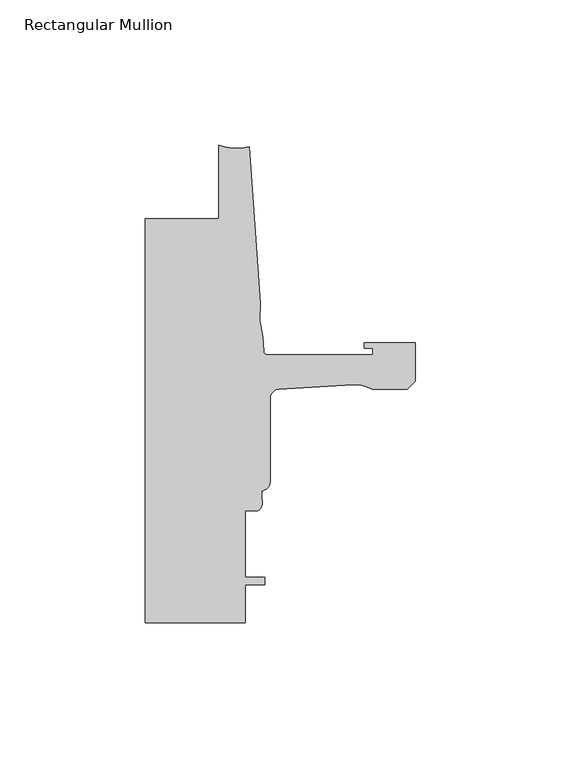
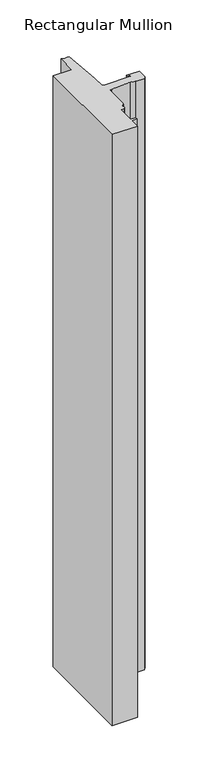
"""IFC4 building model written with IfcOpenShell, lengths in millimetres: member geometry, Rectangular Mullion."""

from ifc_helpers import new_model, si_unit, point, frame, frame_2d, origin, place, context, project, spatial, polyline, circle_curve, trimmed, segment, composite_curve, outline, extrude, source, transform, mapped, element, save


def rectangular_mullion_176037ab(model_context):
    return source(origin(), model_context, "Body", "SweptSolid", [
        extrude(outline(composite_curve([segment(polyline([(-93.2286109, -25.4004525), (-67.8287241, -25.4004525), (-67.8287241, 0.0)]), True, "CONTINUOUS"), segment(trimmed(circle_curve(frame_2d((-61.5737839, 15.5330799)), 16.7451739), [point((-67.8287241, 0.0))], [point((-57.2987828, -0.6572016))], True, "CARTESIAN"), True, "CONTINUOUS"), segment(polyline([(-57.2987828, -0.6572016), (-53.5273008, -54.5916583)]), True, "CONTINUOUS"), segment(trimmed(circle_curve(frame_2d((-22.6573046, -58.220143)), 31.0825122), [point((-53.5273008, -54.5916583))], [point((-52.7218885, -66.1095894))], True, "CARTESIAN"), True, "CONTINUOUS"), segment(polyline([(-52.7218885, -66.1095894), (-52.3871825, -70.8961089)]), True, "CONTINUOUS"), segment(trimmed(circle_curve(frame_2d((-50.8668948, -70.7898)), 1.524), [point((-52.3871825, -70.8961089))], [point((-50.8668948, -72.3138))], True, "CARTESIAN"), True, "CONTINUOUS"), segment(polyline([(-50.8668948, -72.3138), (-14.783487, -72.3138), (-14.783487, -69.9769999), (-17.6377748, -69.9769999), (-17.6377748, -68.1989999), (0.0, -68.1989999), (0.0, -81.3555127), (-2.845487, -84.2009998), (-14.7368542, -84.2009998)]), True, "CONTINUOUS"), segment(trimmed(circle_curve(frame_2d((-20.8718421, -95.1826865)), 12.5791701), [point((-14.7368542, -84.2009998))], [point((-21.6202542, -82.6257999))], True, "CARTESIAN"), True, "CONTINUOUS"), segment(polyline([(-21.6202542, -82.6257999), (-47.0897067, -84.1438232)]), True, "CONTINUOUS"), segment(trimmed(circle_curve(frame_2d((-46.9265, -87.3146257)), 3.175), [point((-47.0897067, -84.1438232))], [point((-50.1015, -87.3146257))], True, "CARTESIAN"), True, "CONTINUOUS"), segment(polyline([(-50.1015, -87.3146257), (-50.1015, -116.026113)]), True, "CONTINUOUS"), segment(trimmed(circle_curve(frame_2d((-53.2765, -116.026113)), 3.175), [point((-50.1015, -116.026113))], [point((-53.0225002, -119.1909367))], False, "CARTESIAN"), True, "CONTINUOUS"), segment(polyline([(-53.0225002, -119.1909367), (-53.0225002, -121.7775425)]), True, "CONTINUOUS"), segment(trimmed(circle_curve(frame_2d((-56.4301064, -123.096956)), 3.6541253), [point((-53.0225002, -121.7775425))], [point((-54.4195002, -126.1482008))], False, "CARTESIAN"), True, "CONTINUOUS"), segment(polyline([(-54.4195002, -126.1482008), (-58.7375, -126.1482008), (-58.7375, -149.0082008), (-51.8795003, -149.0082008), (-51.8795003, -151.5482008), (-58.7375, -151.5482008), (-58.7375, -164.592), (-93.2286109, -164.592), (-93.2286109, -25.4004525)]), True, "CONTINUOUS")], self_intersect=False)), frame((0.0, 0.0, -850.8998868), z_axis=(0.0, 0.0, 1.0), x_axis=(1.0, 0.0, 0.0)), (0.0, 0.0, 1.0), 850.8998868),
    ])


if __name__ == "__main__":
    model = new_model("IFC4")
    model_context = context("Model", 3, world=origin())
    ifc_project = project(units=[si_unit("LENGTHUNIT", "METRE", prefix="MILLI")], contexts=[model_context])
    site = spatial("IfcSite", under=ifc_project)
    building = spatial("IfcBuilding", under=site)
    placement = place(None, origin())
    rectangular_mullion_shape = rectangular_mullion_176037ab(model_context)
    element("IfcMember", 1, ObjectType="Rectangular Mullion", at=placement, inside=building, context=model_context, shape_type="MappedRepresentation", body=[
        mapped(rectangular_mullion_shape, transform((0.0, 0.0, 0.0), x_axis=(1.0, 0.0, 0.0), y_axis=(0.0, 1.0, 0.0), z_axis=(0.0, 0.0, 1.0))),
    ])
    save(model, "model.ifc")
